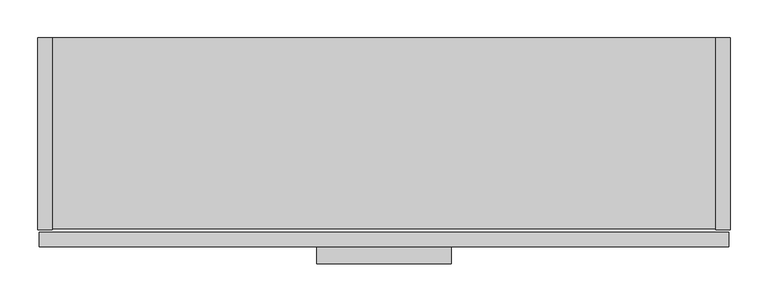
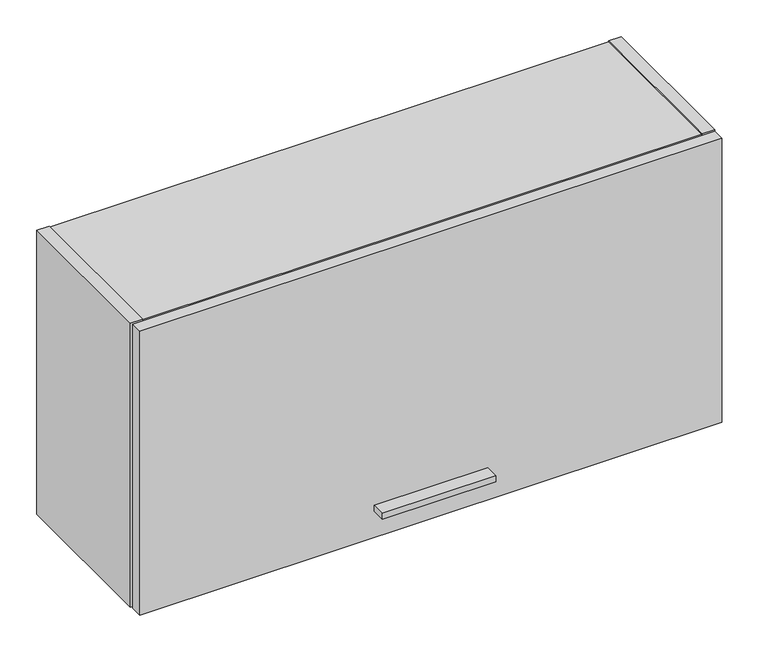
"""IFC4 building model written with IfcOpenShell, lengths in millimetres: furniture geometry."""

from ifc_helpers import new_model, si_unit, frame, origin, place, context, project, spatial, polyline, outline, extrude, source, transform, mapped, element, save


def furniture_afd2da18(model_context):
    return source(origin(), model_context, "Body", "SweptSolid", [
        extrude(outline(polyline([(546.1, -298.45), (368.3, -298.45), (368.3, -276.225), (546.1, -276.225), (546.1, -298.45)])), frame((0.0, 0.0, 1440.8531), z_axis=(0.0, 0.0, 1.0), x_axis=(1.0, 0.0, 0.0)), (0.0, 0.0, 1.0), 9.525),
        extrude(outline(polyline([(912.8125, -276.225), (1.5875, -276.225), (1.5875, -256.921), (912.8125, -256.921), (912.8125, -276.225)])), frame((0.0, 0.0, 1397.0), z_axis=(0.0, 0.0, 1.0), x_axis=(1.0, 0.0, 0.0)), (0.0, 0.0, 1.0), 469.9),
        extrude(outline(polyline([(914.4, -253.746), (895.096, -253.746), (895.096, 0.0), (914.4, 0.0), (914.4, -253.746)])), frame((0.0, 0.0, 1397.0), z_axis=(0.0, 0.0, 1.0), x_axis=(1.0, 0.0, 0.0)), (0.0, 0.0, 1.0), 469.9),
        extrude(outline(polyline([(19.304, -253.746), (0.0, -253.746), (0.0, 0.0), (19.304, 0.0), (19.304, -253.746)])), frame((0.0, 0.0, 1397.0), z_axis=(0.0, 0.0, 1.0), x_axis=(1.0, 0.0, 0.0)), (0.0, 0.0, 1.0), 469.9),
        extrude(outline(polyline([(895.096, -252.222), (19.304, -252.222), (19.304, -12.7), (895.096, -12.7), (895.096, -252.222)])), frame((0.0, 0.0, 1398.524), z_axis=(0.0, 0.0, 1.0), x_axis=(1.0, 0.0, 0.0)), (0.0, 0.0, 1.0), 19.304),
        extrude(outline(polyline([(895.096, -12.7), (895.096, -32.004), (19.304, -32.004), (19.304, -12.7), (895.096, -12.7)])), frame((0.0, 0.0, 1417.828), z_axis=(0.0, 0.0, 1.0), x_axis=(1.0, 0.0, 0.0)), (0.0, 0.0, 1.0), 429.768),
        extrude(outline(polyline([(895.096, -252.222), (19.304, -252.222), (19.304, 0.0), (895.096, 0.0), (895.096, -252.222)])), frame((0.0, 0.0, 1847.596), z_axis=(0.0, 0.0, 1.0), x_axis=(1.0, 0.0, 0.0)), (0.0, 0.0, 1.0), 17.78),
    ])


if __name__ == "__main__":
    model = new_model("IFC4")
    model_context = context("Model", 3, world=origin())
    ifc_project = project(units=[si_unit("LENGTHUNIT", "METRE", prefix="MILLI")], contexts=[model_context])
    site = spatial("IfcSite", under=ifc_project)
    building = spatial("IfcBuilding", under=site)
    placement = place(None, origin())
    furniture_shape = furniture_afd2da18(model_context)
    element("IfcFurniture", 1, at=placement, inside=building, context=model_context, shape_type="MappedRepresentation", body=[
        mapped(furniture_shape, transform((0.0, 0.0, 0.0), x_axis=(1.0, 0.0, 0.0), y_axis=(0.0, 1.0, 0.0), z_axis=(0.0, 0.0, 1.0))),
    ])
    save(model, "model.ifc")
